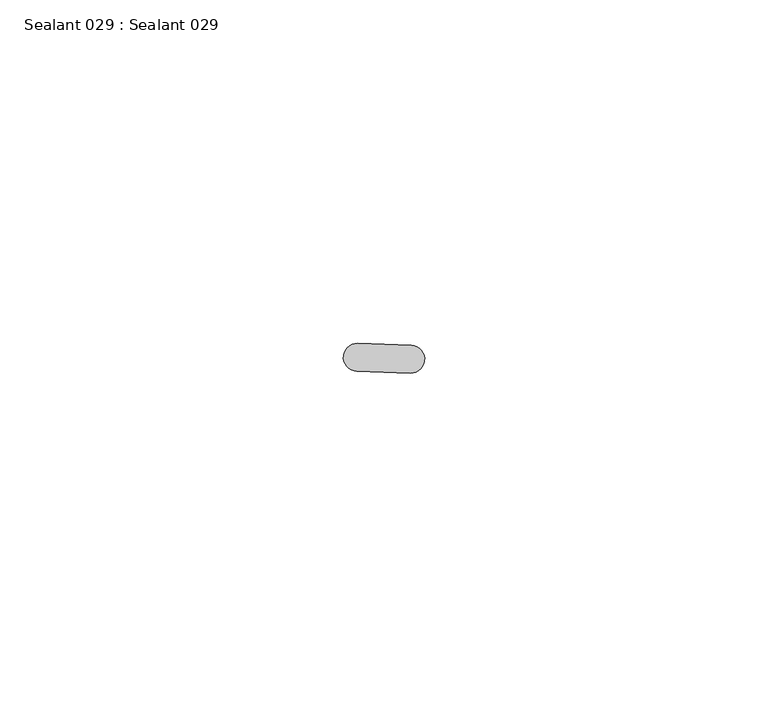
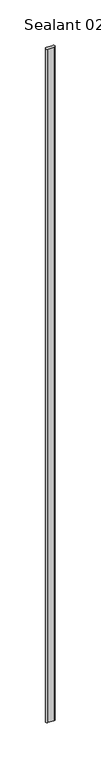
"""IFC4 building model written with IfcOpenShell, lengths in millimetres: proxy geometry, Sealant 029 : Sealant 029."""

from ifc_helpers import new_model, si_unit, point, frame, frame_2d, origin, place, context, project, spatial, polyline, circle_curve, trimmed, segment, composite_curve, outline, extrude, source, transform, mapped, element, save


def sealant_029_sealant_029_a5b92bf0(model_context):
    return source(origin(), model_context, "Body", "SweptSolid", [
        extrude(outline(composite_curve([segment(trimmed(circle_curve(frame_2d((32713.8515625, -15364.6298828)), 2.037109), [point((32713.7818897, -15366.6658))], [point((32713.9212353, -15362.5939656))], False, "CARTESIAN"), True, "CONTINUOUS"), segment(polyline([(32713.9212353, -15362.5939656), (32721.6706065, -15362.8591631)]), True, "CONTINUOUS"), segment(trimmed(circle_curve(frame_2d((32721.6009337, -15364.8950803)), 2.037109), [point((32721.6706065, -15362.8591631))], [point((32721.531261, -15366.9309975))], False, "CARTESIAN"), True, "CONTINUOUS"), segment(polyline([(32721.531261, -15366.9309975), (32713.7818897, -15366.6658)]), True, "CONTINUOUS")], self_intersect=False)), frame((0.0, 0.0, 1597.975708), z_axis=(0.0, 0.0, 1.0), x_axis=(1.0, 0.0, 0.0)), (0.0, 0.0, 1.0), 914.4),
    ])


if __name__ == "__main__":
    model = new_model("IFC4")
    model_context = context("Model", 3, world=origin())
    ifc_project = project(units=[si_unit("LENGTHUNIT", "METRE", prefix="MILLI")], contexts=[model_context])
    site = spatial("IfcSite", under=ifc_project)
    building = spatial("IfcBuilding", under=site)
    placement = place(None, origin())
    sealant_029_sealant_029_shape = sealant_029_sealant_029_a5b92bf0(model_context)
    element("IfcBuildingElementProxy", 1, Name="Sealant 029 : Sealant 029", ObjectType="Sealant 029 : Sealant 029", at=placement, inside=building, context=model_context, shape_type="MappedRepresentation", body=[
        mapped(sealant_029_sealant_029_shape, transform((0.0, 0.0, 0.0), x_axis=(1.0, 0.0, 0.0), y_axis=(0.0, 1.0, 0.0), z_axis=(0.0, 0.0, 1.0))),
    ])
    save(model, "model.ifc")
